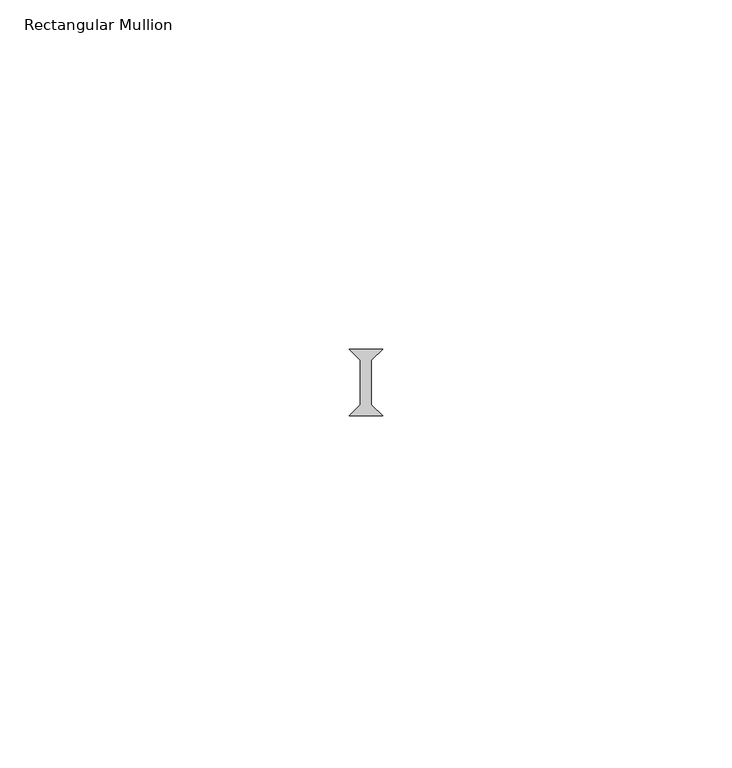
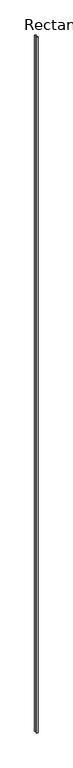
"""IFC4 building model written with IfcOpenShell, lengths in millimetres: member geometry, Rectangular Mullion."""

from ifc_helpers import new_model, si_unit, frame, origin, place, context, project, spatial, polyline, outline, extrude, source, transform, mapped, element, save


def rectangular_mullion_b74e2beb(model_context):
    return source(origin(), model_context, "Body", "SweptSolid", [
        extrude(outline(polyline([(-2.38125, -25.4), (2.38125, -25.4), (0.79375, -26.9875), (0.79375, -33.3375), (2.38125, -34.925), (-2.38125, -34.925), (-0.79375, -33.3375), (-0.79375, -26.9875), (-2.38125, -25.4)])), frame((0.0, 0.0, -2336.8), z_axis=(0.0, 0.0, 1.0), x_axis=(1.0, 0.0, 0.0)), (0.0, 0.0, 1.0), 2336.8),
    ])


if __name__ == "__main__":
    model = new_model("IFC4")
    model_context = context("Model", 3, world=origin())
    ifc_project = project(units=[si_unit("LENGTHUNIT", "METRE", prefix="MILLI")], contexts=[model_context])
    site = spatial("IfcSite", under=ifc_project)
    building = spatial("IfcBuilding", under=site)
    placement = place(None, origin())
    rectangular_mullion_shape = rectangular_mullion_b74e2beb(model_context)
    element("IfcMember", 1, ObjectType="Rectangular Mullion", at=placement, inside=building, context=model_context, shape_type="MappedRepresentation", body=[
        mapped(rectangular_mullion_shape, transform((0.0, 0.0, 0.0), x_axis=(1.0, 0.0, 0.0), y_axis=(0.0, 1.0, 0.0), z_axis=(0.0, 0.0, 1.0))),
    ])
    save(model, "model.ifc")
